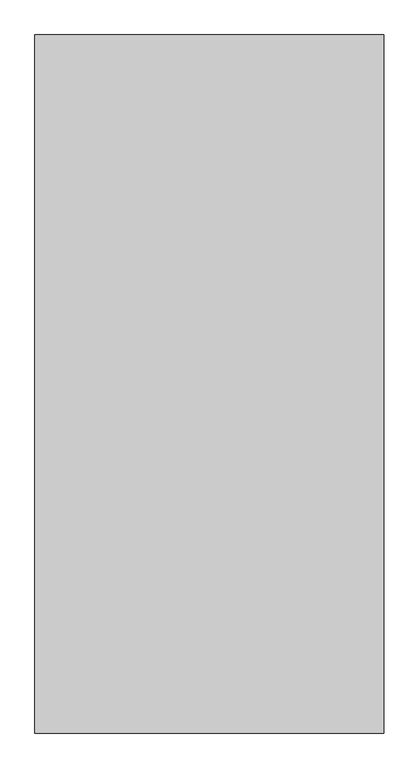
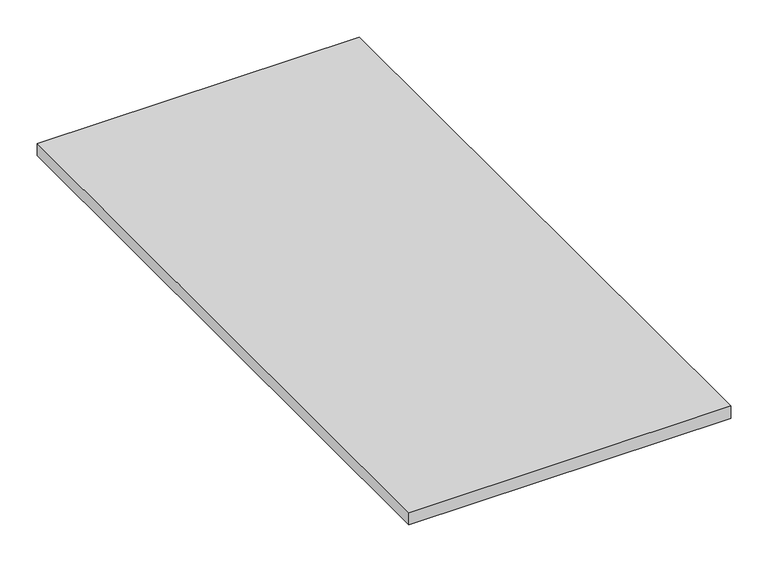
"""IFC4 building model written with IfcOpenShell, lengths in millimetres: proxy geometry."""

from ifc_helpers import new_model, si_unit, origin, origin_with_axes, place, context, project, spatial, polyline, outline, extrude, source, transform, mapped, element, save


def generic_models_37483d08(model_context):
    return source(origin(), model_context, "Body", "SweptSolid", [
        extrude(outline(polyline([(-16829.2833082, -6652.8374841), (-16829.2833082, -7652.8374841), (-17329.2833082, -7652.8374841), (-17329.2833082, -6652.8374841), (-16829.2833082, -6652.8374841)])), origin_with_axes(), (0.0, 0.0, 1.0), 20.0),
    ])


if __name__ == "__main__":
    model = new_model("IFC4")
    model_context = context("Model", 3, world=origin())
    ifc_project = project(units=[si_unit("LENGTHUNIT", "METRE", prefix="MILLI")], contexts=[model_context])
    site = spatial("IfcSite", under=ifc_project)
    building = spatial("IfcBuilding", under=site)
    placement = place(None, origin())
    generic_models_shape = generic_models_37483d08(model_context)
    element("IfcBuildingElementProxy", 1, Name="Generic Models", at=placement, inside=building, context=model_context, shape_type="MappedRepresentation", body=[
        mapped(generic_models_shape, transform((0.0, 0.0, 0.0), x_axis=(1.0, 0.0, 0.0), y_axis=(0.0, 1.0, 0.0), z_axis=(0.0, 0.0, 1.0))),
    ])
    save(model, "model.ifc")
